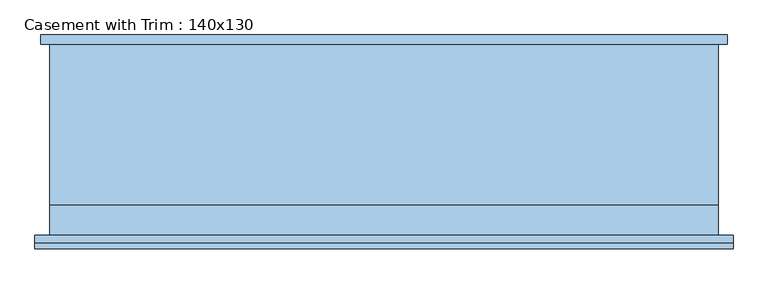
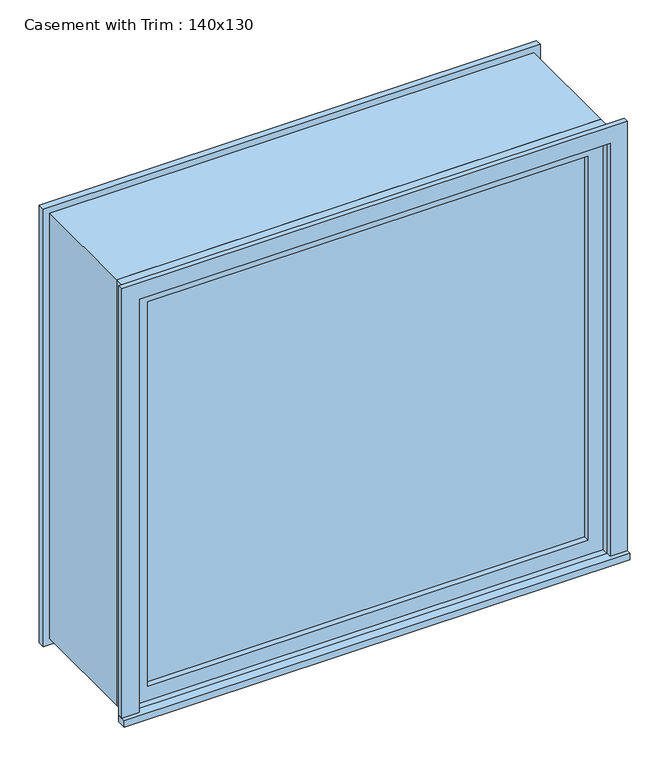
"""IFC4 building model written with IfcOpenShell, lengths in millimetres: window geometry, Casement with Trim : 140x130."""

from ifc_helpers import new_model, si_unit, frame, origin, place, context, project, spatial, polyline, outline, extrude, source, transform, mapped, element, save


def casement_with_trim_140x130_6df617af(model_context):
    return source(origin(), model_context, "Body", "SweptSolid", [
        extrude(outline(polyline([(-730.95, -227.7), (-730.95, -200.0), (730.95, -200.0), (730.95, -227.7), (-730.95, -227.7)])), frame((0.0, 0.0, 1000.0), z_axis=(0.0, 0.0, 1.0), x_axis=(1.0, 0.0, 0.0)), (0.0, 0.0, 1.0), 19.05),
        extrude(outline(polyline([(2280.95, -680.95), (2280.95, 680.95), (1019.05, 680.95), (1019.05, 730.95), (2330.95, 730.95), (2330.95, -730.95), (1019.05, -730.95), (1019.05, -680.95), (2280.95, -680.95)])), frame((0.0, -215.0, 0.0), z_axis=(0.0, 1.0, 0.0), x_axis=(0.0, 0.0, 1.0)), (0.0, 0.0, 1.0), 15.0),
        extrude(outline(polyline([(2318.25, 718.25), (2318.25, -718.25), (981.75, -718.25), (981.75, 718.25), (2318.25, 718.25)]), holes=[polyline([(2268.25, 668.25), (1031.75, 668.25), (1031.75, -668.25), (2268.25, -668.25), (2268.25, 668.25)])]), frame((0.0, 200.0, 0.0), z_axis=(0.0, 1.0, 0.0), x_axis=(0.0, 0.0, 1.0)), (0.0, 0.0, 1.0), 20.0),
        extrude(outline(polyline([(636.5, -151.425), (636.5, -164.125), (-636.5, -164.125), (-636.5, -151.425), (636.5, -151.425)])), frame((0.0, 0.0, 1063.5), z_axis=(0.0, 0.0, 1.0), x_axis=(1.0, 0.0, 0.0)), (0.0, 0.0, 1.0), 1173.0),
        extrude(outline(polyline([(2280.95, -680.95), (1019.05, -680.95), (1019.05, 680.95), (2280.95, 680.95), (2280.95, -680.95)]), holes=[polyline([(2236.5, -636.5), (2236.5, 636.5), (1063.5, 636.5), (1063.5, -636.5), (2236.5, -636.5)])]), frame((0.0, -180.0, 0.0), z_axis=(0.0, 1.0, 0.0), x_axis=(0.0, 0.0, 1.0)), (0.0, 0.0, 1.0), 44.45),
        extrude(outline(polyline([(2300.0, -700.0), (1000.0, -700.0), (1000.0, 700.0), (2300.0, 700.0), (2300.0, -700.0)]), holes=[polyline([(2268.25, -668.25), (2268.25, 668.25), (1031.75, 668.25), (1031.75, -668.25), (2268.25, -668.25)])]), frame((0.0, -135.55, 0.0), z_axis=(0.0, 1.0, 0.0), x_axis=(0.0, 0.0, 1.0)), (0.0, 0.0, 1.0), 335.55),
        extrude(outline(polyline([(2300.0, 700.0), (2300.0, -700.0), (1000.0, -700.0), (1000.0, 700.0), (2300.0, 700.0)]), holes=[polyline([(2280.95, 680.95), (1019.05, 680.95), (1019.05, -680.95), (2280.95, -680.95), (2280.95, 680.95)])]), frame((0.0, -200.0, 0.0), z_axis=(0.0, 1.0, 0.0), x_axis=(0.0, 0.0, 1.0)), (0.0, 0.0, 1.0), 64.45),
    ])


if __name__ == "__main__":
    model = new_model("IFC4")
    model_context = context("Model", 3, world=origin())
    ifc_project = project(units=[si_unit("LENGTHUNIT", "METRE", prefix="MILLI")], contexts=[model_context])
    site = spatial("IfcSite", under=ifc_project)
    building = spatial("IfcBuilding", under=site)
    placement = place(None, origin())
    casement_with_trim_140x130_shape = casement_with_trim_140x130_6df617af(model_context)
    element("IfcWindow", 1, ObjectType="Casement with Trim : 140x130", at=placement, inside=building, context=model_context, shape_type="MappedRepresentation", body=[
        mapped(casement_with_trim_140x130_shape, transform((0.0, 0.0, 0.0), x_axis=(1.0, 0.0, 0.0), y_axis=(0.0, 1.0, 0.0), z_axis=(0.0, 0.0, 1.0))),
    ])
    save(model, "model.ifc")
